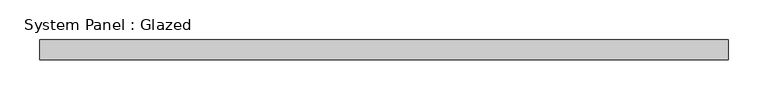
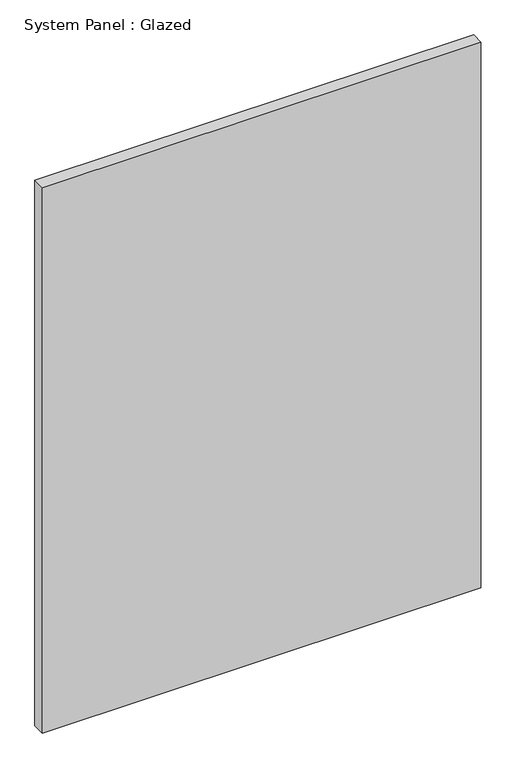
"""IFC4 building model written with IfcOpenShell, lengths in millimetres: plate geometry, System Panel : Glazed."""

from ifc_helpers import new_model, si_unit, origin, origin_with_axes, place, context, project, spatial, polyline, outline, extrude, source, transform, mapped, element, save


def system_panel_glazed_ac4de0e3(model_context):
    return source(origin(), model_context, "Body", "SweptSolid", [
        extrude(outline(polyline([(434.5584611, -12.7), (-434.5584611, -12.7), (-434.5584611, 12.7), (434.5584611, 12.7), (434.5584611, -12.7)])), origin_with_axes(), (0.0, 0.0, 1.0), 1143.0),
    ])


if __name__ == "__main__":
    model = new_model("IFC4")
    model_context = context("Model", 3, world=origin())
    ifc_project = project(units=[si_unit("LENGTHUNIT", "METRE", prefix="MILLI")], contexts=[model_context])
    site = spatial("IfcSite", under=ifc_project)
    building = spatial("IfcBuilding", under=site)
    placement = place(None, origin())
    system_panel_glazed_shape = system_panel_glazed_ac4de0e3(model_context)
    element("IfcPlate", 1, ObjectType="System Panel : Glazed", at=placement, inside=building, context=model_context, shape_type="MappedRepresentation", body=[
        mapped(system_panel_glazed_shape, transform((0.0, 0.0, 0.0), x_axis=(1.0, 0.0, 0.0), y_axis=(0.0, 1.0, 0.0), z_axis=(0.0, 0.0, 1.0))),
    ])
    save(model, "model.ifc")
